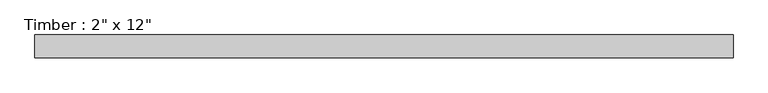
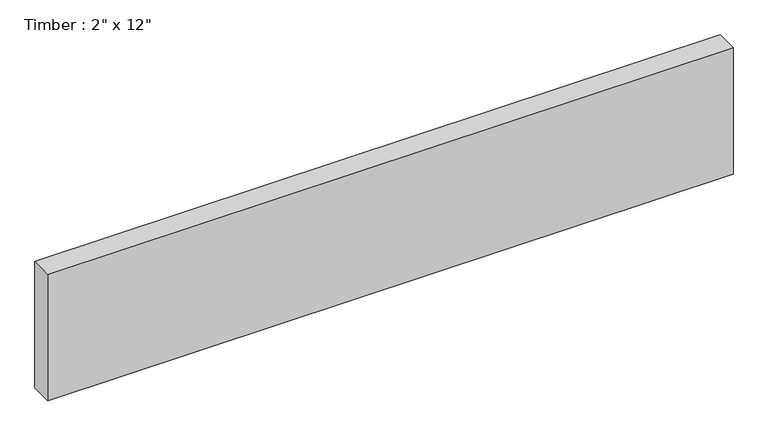
"""IFC4 building model written with IfcOpenShell, lengths in millimetres: beam geometry."""

from ifc_helpers import new_model, si_unit, frame, origin, place, context, project, spatial, polyline, outline, extrude, source, transform, mapped, element, save


def beam_1fdcd5c4(model_context):
    return source(origin(), model_context, "Body", "SweptSolid", [
        extrude(outline(polyline([(781.05, 25.4), (781.05, -25.4), (-781.05, -25.4), (-781.05, 25.4), (781.05, 25.4)])), frame((0.0, 0.0, -152.4), z_axis=(0.0, 0.0, 1.0), x_axis=(1.0, 0.0, 0.0)), (0.0, 0.0, 1.0), 304.8),
    ])


if __name__ == "__main__":
    model = new_model("IFC4")
    model_context = context("Model", 3, world=origin())
    ifc_project = project(units=[si_unit("LENGTHUNIT", "METRE", prefix="MILLI")], contexts=[model_context])
    site = spatial("IfcSite", under=ifc_project)
    building = spatial("IfcBuilding", under=site)
    placement = place(None, origin())
    beam_shape = beam_1fdcd5c4(model_context)
    element("IfcBeam", 1, ObjectType="Timber : 2\" x 12\"", at=placement, inside=building, context=model_context, shape_type="MappedRepresentation", body=[
        mapped(beam_shape, transform((0.0, 0.0, 0.0), x_axis=(1.0, 0.0, 0.0), y_axis=(0.0, 1.0, 0.0), z_axis=(0.0, 0.0, 1.0))),
    ])
    save(model, "model.ifc")
